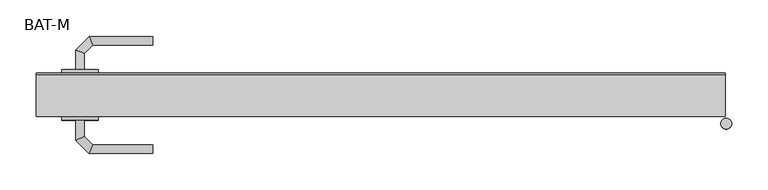
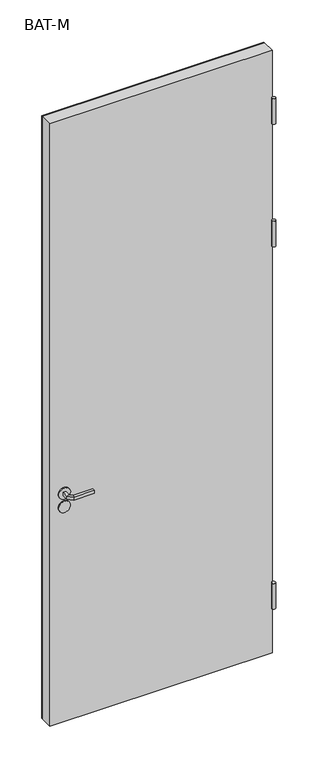
"""IFC4 building model written with IfcOpenShell, lengths in millimetres: proxy geometry, BAT-M."""

import ifcopenshell
import ifcopenshell.guid

model = None  # the IFC model being written
_history = None  # IfcOwnerHistory: only IFC2X3 demands one
_inside = {}  # id of a spatial element -> (the spatial element, [elements in it])
_under = {}  # id of a project, library or spatial element -> (it, [spatial elements below it])
_declared = {}  # id of a project -> (the project, [libraries it declares])
_typed = {}  # id of a type object -> (the type object, [elements of that type])
_made_of = {}  # id of a material, layer set ... -> (it, [elements and type objects made of it])


def new_model(schema):
    """Start an empty IFC model of exactly this schema.

    Asked for "IFC4X3", IfcOpenShell would pick the latest addendum, in which some entities
    have other attributes; the version numbers below select the first issue.
    IFC2X3 requires an IfcOwnerHistory on every rooted entity: one is made here for all.
    """
    global model, _history
    if schema == "IFC4X3":
        model = ifcopenshell.file(schema_version=(4, 3, 0, 0))
    else:
        model = ifcopenshell.file(schema=schema)
    _inside.clear()
    _under.clear()
    _declared.clear()
    _typed.clear()
    _made_of.clear()
    _history = None
    if model.schema == "IFC2X3":
        org = make("IfcOrganization", Name="unknown")
        user = make(
            "IfcPersonAndOrganization",
            ThePerson=make("IfcPerson", FamilyName="unknown"),
            TheOrganization=org,
        )
        app = make(
            "IfcApplication",
            ApplicationDeveloper=org,
            Version="unknown",
            ApplicationFullName="unknown",
            ApplicationIdentifier="unknown",
        )
        _history = make(
            "IfcOwnerHistory",
            OwningUser=user,
            OwningApplication=app,
            ChangeAction="ADDED",
            CreationDate=0,
        )
    return model


def make(cls, **values):
    """One entity of the class cls with the attributes given. An attribute that is None is left unset."""
    return model.create_entity(
        cls, **{name: value for name, value in values.items() if value is not None}
    )


def rooted(cls, **values):
    """An entity with a GlobalId (a new one), such as an element, a storey or a relation."""
    return make(cls, GlobalId=ifcopenshell.guid.new(), OwnerHistory=_history, **values)


def si_unit(unit_type, name, prefix=None):
    """IfcSIUnit, for example si_unit("LENGTHUNIT", "METRE", prefix="MILLI")."""
    return make("IfcSIUnit", UnitType=unit_type, Prefix=prefix, Name=name)


def assignment(units):
    """IfcUnitAssignment: the units of a project."""
    return None if units is None else make("IfcUnitAssignment", Units=units)


def point(xyz):
    """IfcCartesianPoint."""
    return None if xyz is None else make("IfcCartesianPoint", Coordinates=xyz)


def direction(xyz):
    """IfcDirection."""
    return None if xyz is None else make("IfcDirection", DirectionRatios=xyz)


def frame(location, z_axis=None, x_axis=None):
    """IfcAxis2Placement3D, a coordinate frame: its origin and axes. An axis left out is left unset."""
    return make(
        "IfcAxis2Placement3D",
        Location=point(location),
        Axis=direction(z_axis),
        RefDirection=direction(x_axis),
    )


def frame_2d(location, x_axis=None):
    """IfcAxis2Placement2D, a coordinate frame in the plane: its origin and x axis."""
    return make(
        "IfcAxis2Placement2D", Location=point(location), RefDirection=direction(x_axis)
    )


def origin():
    """The frame at (0, 0, 0) with its axes left unset."""
    return frame((0.0, 0.0, 0.0))


def place(relative_to, where):
    """IfcLocalPlacement: puts the frame where relative to a parent placement (None: the world)."""
    return make(
        "IfcLocalPlacement", PlacementRelTo=relative_to, RelativePlacement=where
    )


def context(
    kind, dimensions, precision=None, world=None, true_north=None, identifier=None
):
    """IfcGeometricRepresentationContext, for example the 3D "Model" context."""
    return make(
        "IfcGeometricRepresentationContext",
        ContextIdentifier=identifier,
        ContextType=kind,
        CoordinateSpaceDimension=dimensions,
        Precision=precision,
        WorldCoordinateSystem=world,
        TrueNorth=true_north,
    )


def project(units=None, contexts=None):
    """IfcProject with its units and contexts."""
    return rooted(
        "IfcProject",
        Name="project",
        RepresentationContexts=contexts,
        UnitsInContext=assignment(units),
    )


def spatial(cls, under=None, at=None, **own):
    """A site, building, storey or space (cls), placed at a placement, below another one or the project."""
    s = rooted(cls, ObjectPlacement=at, **own)
    if under is not None:
        _under.setdefault(under.id(), (under, []))[1].append(s)
    return s


def polyline(points):
    """IfcPolyline through the points."""
    return make("IfcPolyline", Points=[point(p) for p in points])


def circle_curve(where, radius):
    """IfcCircle in the frame where."""
    return make("IfcCircle", Position=where, Radius=radius)


def ellipse_curve(where, semi_axis1, semi_axis2):
    """IfcEllipse in the frame where."""
    return make(
        "IfcEllipse", Position=where, SemiAxis1=semi_axis1, SemiAxis2=semi_axis2
    )


def trimmed(basis, trim1, trim2, sense, master):
    """IfcTrimmedCurve: the piece of a basis curve between two trims."""
    return make(
        "IfcTrimmedCurve",
        BasisCurve=basis,
        Trim1=trim1,
        Trim2=trim2,
        SenseAgreement=sense,
        MasterRepresentation=master,
    )


def segment(curve, same_sense, transition):
    """IfcCompositeCurveSegment."""
    return make(
        "IfcCompositeCurveSegment",
        Transition=transition,
        SameSense=same_sense,
        ParentCurve=curve,
    )


def composite_curve(segments, self_intersect=None):
    """IfcCompositeCurve: segments joined end to end."""
    return make("IfcCompositeCurve", Segments=segments, SelfIntersect=self_intersect)


def outline(outer, holes=None, kind="AREA"):
    """IfcArbitraryClosedProfileDef: a profile drawn as a closed curve; with holes, ...WithVoids."""
    if holes is None:
        return make("IfcArbitraryClosedProfileDef", ProfileType=kind, OuterCurve=outer)
    return make(
        "IfcArbitraryProfileDefWithVoids",
        ProfileType=kind,
        OuterCurve=outer,
        InnerCurves=holes,
    )


def extrude(swept, where, along, depth):
    """IfcExtrudedAreaSolid: the profile swept, set in the frame where, extruded along a direction by depth."""
    return make(
        "IfcExtrudedAreaSolid",
        SweptArea=swept,
        Position=where,
        ExtrudedDirection=direction(along),
        Depth=depth,
    )


def shape(context_of_items, identifier, shape_type, items):
    """IfcShapeRepresentation: the items that make up one representation, for example the "Body"."""
    return make(
        "IfcShapeRepresentation",
        ContextOfItems=context_of_items,
        RepresentationIdentifier=identifier,
        RepresentationType=shape_type,
        Items=items,
    )


def source(mapping_origin, context_of_items, identifier, shape_type, items):
    """IfcRepresentationMap: a shape defined once, which mapped items show again and again."""
    return make(
        "IfcRepresentationMap",
        MappingOrigin=mapping_origin,
        MappedRepresentation=shape(context_of_items, identifier, shape_type, items),
    )


def transform(
    local_origin,
    x_axis=None,
    y_axis=None,
    z_axis=None,
    scale=None,
    scale2=None,
    scale3=None,
    uniform=True,
):
    """IfcCartesianTransformationOperator3D, or its non-uniform kind. x_axis, y_axis, z_axis: its Axis1, 2, 3."""
    if uniform:
        return make(
            "IfcCartesianTransformationOperator3D",
            Axis1=direction(x_axis),
            Axis2=direction(y_axis),
            LocalOrigin=point(local_origin),
            Scale=scale,
            Axis3=direction(z_axis),
        )
    return make(
        "IfcCartesianTransformationOperator3DnonUniform",
        Axis1=direction(x_axis),
        Axis2=direction(y_axis),
        LocalOrigin=point(local_origin),
        Scale=scale,
        Axis3=direction(z_axis),
        Scale2=scale2,
        Scale3=scale3,
    )


def mapped(mapping_source, mapping_target):
    """IfcMappedItem: shows the shape of a source again, moved by a transform."""
    return make(
        "IfcMappedItem", MappingSource=mapping_source, MappingTarget=mapping_target
    )


def made_of(thing, what):
    """Note that an element or type object is made of a material, layer set ...; save() writes the relation."""
    if what is not None:
        _made_of.setdefault(what.id(), (what, []))[1].append(thing)
    return thing


def element(
    cls,
    number,
    at=None,
    inside=None,
    cuts=None,
    type_object=None,
    material=None,
    context=None,
    identifier="Body",
    shape_type=None,
    held_by="IfcProductDefinitionShape",
    body=None,
    shapes=None,
    **own,
):
    """One element of the class cls, such as IfcWall. Its Tag is "e" and its number.

    at: its placement. inside: the storey or other place that contains it. cuts: it is an
    opening in that element (IfcRelVoidsElement). A single representation is given by context,
    identifier, shape_type and body (its items); several are given by shapes. held_by: the class
    of the entity that holds the representations. save() writes the other relations.
    """
    e = rooted(cls, Tag="e%d" % number, ObjectPlacement=at, **own)
    if body is not None:
        shapes = [shape(context, identifier, shape_type, body)]
    if shapes is not None:
        e.Representation = make(held_by, Representations=shapes)
    if inside is not None:
        _inside.setdefault(inside.id(), (inside, []))[1].append(e)
    if cuts is not None:
        rooted(
            "IfcRelVoidsElement", RelatingBuildingElement=cuts, RelatedOpeningElement=e
        )
    if type_object is not None:
        _typed.setdefault(type_object.id(), (type_object, []))[1].append(e)
    return made_of(e, material)


def aggregate(whole, parts):
    """IfcRelAggregates: a whole, such as a stair, and the parts it consists of."""
    return rooted("IfcRelAggregates", RelatingObject=whole, RelatedObjects=parts)


def save(model, path):
    """Write the relations noted so far, then the file.

    IfcRelAggregates (storeys below a building ...), IfcRelContainedInSpatialStructure (elements
    in a storey), IfcRelDefinesByType, IfcRelAssociatesMaterial and IfcRelDeclares: one each for
    every whole, place, type object, material and project.
    """
    for whole, parts in _under.values():
        aggregate(whole, parts)
    for where, things in _inside.values():
        rooted(
            "IfcRelContainedInSpatialStructure",
            RelatedElements=things,
            RelatingStructure=where,
        )
    for kind, things in _typed.values():
        rooted("IfcRelDefinesByType", RelatedObjects=things, RelatingType=kind)
    for what, things in _made_of.values():
        rooted("IfcRelAssociatesMaterial", RelatedObjects=things, RelatingMaterial=what)
    for by, libraries in _declared.values():
        rooted("IfcRelDeclares", RelatingContext=by, RelatedDefinitions=libraries)
    model.write(path)


def plane_surface(at):
    """IfcPlane: the flat surface through the origin of the frame at, square to its z axis."""
    return make("IfcPlane", Position=at)


def cylinder_surface(at, radius):
    """IfcCylindricalSurface: all points at the distance radius from the z axis of the frame at."""
    return make("IfcCylindricalSurface", Position=at, Radius=radius)


def advanced_brep(points, edges, surfaces, faces):
    """IfcAdvancedBrep: a solid bounded by faces that lie on surfaces and meet in shared edges.

    An edge is (start, end): straight between two places in points (the first is 0);
    or (start, end, curve); or (start, end, curve, False) where it runs against its curve.
    A face is (place in surfaces, loops), or (place, loops, False) where it looks against
    its surface's normal. A loop lists edges by number (the first is 1), with a minus sign
    where the edge is run from its end to its start. The first loop is the outer one.
    """
    corners = [point(p) for p in points]
    vertices = [make("IfcVertexPoint", VertexGeometry=c) for c in corners]
    made = []
    for start, end, *more in edges:
        made.append(
            make(
                "IfcEdgeCurve",
                EdgeStart=vertices[start],
                EdgeEnd=vertices[end],
                EdgeGeometry=more[0] if more else make("IfcPolyline", Points=[corners[start], corners[end]]),
                SameSense=more[1] if len(more) > 1 else True,
            )
        )
    hull = []
    for where, loops, *sense in faces:
        bounds = []
        for j, loop in enumerate(loops):
            ring = [make("IfcOrientedEdge", EdgeElement=made[abs(k) - 1], Orientation=k > 0) for k in loop]
            bounds.append(
                make(
                    "IfcFaceOuterBound" if j == 0 else "IfcFaceBound",
                    Bound=make("IfcEdgeLoop", EdgeList=ring),
                    Orientation=True,
                )
            )
        hull.append(make("IfcAdvancedFace", Bounds=bounds, FaceSurface=surfaces[where], SameSense=sense[0] if sense else True))
    return make("IfcAdvancedBrep", Outer=make("IfcClosedShell", CfsFaces=hull))


def bat_m_8216d723(model_context):
    return source(origin(), model_context, "Body", "SolidModel", [
        extrude(outline(composite_curve([segment(polyline([(1126.0, -873.5306002), (1126.0, -938.5306002), (916.0, -938.5306002), (916.0, -873.5306002)]), True, "CONTINUOUS"), segment(trimmed(circle_curve(frame_2d((956.0, -873.5306002)), 40.0), [point((916.0, -873.5306002))], [point((956.0, -833.5306002))], False, "CARTESIAN"), True, "CONTINUOUS"), segment(polyline([(956.0, -833.5306002), (1086.0, -833.5306002)]), True, "CONTINUOUS"), segment(trimmed(circle_curve(frame_2d((1086.0, -873.5306002)), 40.0), [point((1086.0, -833.5306002))], [point((1126.0, -873.5306002))], False, "CARTESIAN"), True, "CONTINUOUS")], self_intersect=False)), frame((0.0, 7.9132708, 0.0), z_axis=(0.0, 1.0, 0.0), x_axis=(0.0, 0.0, 1.0)), (0.0, 0.0, 1.0), 43.4267377),
        extrude(outline(composite_curve([segment(trimmed(circle_curve(frame_2d((1051.0, -888.7739009)), 25.0), [point((1051.0, -913.7739009))], [point((1051.0, -863.7739009))], False, "CARTESIAN"), True, "CONTINUOUS"), segment(trimmed(circle_curve(frame_2d((1051.0, -888.7739009)), 25.0), [point((1051.0, -863.7739009))], [point((1051.0, -913.7739009))], False, "CARTESIAN"), True, "CONTINUOUS")], self_intersect=False)), frame((0.0, 59.5, 0.0), z_axis=(0.0, 1.0, 0.0), x_axis=(0.0, 0.0, 1.0)), (0.0, 0.0, 1.0), 5.0),
        extrude(outline(composite_curve([segment(trimmed(circle_curve(frame_2d((991.25, -888.9257392)), 25.0), [point((991.25, -913.9257392))], [point((991.25, -863.9257392))], False, "CARTESIAN"), True, "CONTINUOUS"), segment(trimmed(circle_curve(frame_2d((991.25, -888.9257392)), 25.0), [point((991.25, -863.9257392))], [point((991.25, -913.9257392))], False, "CARTESIAN"), True, "CONTINUOUS")], self_intersect=False)), frame((0.0, 59.5, 0.0), z_axis=(0.0, 1.0, 0.0), x_axis=(0.0, 0.0, 1.0)), (0.0, 0.0, 1.0), 5.0),
        advanced_brep(
        [(-883.0, 64.5, 1044.0), (-883.0, 64.5, 1058.0), (-895.0, 64.5, 1058.0), (-895.0, 64.5, 1044.0), (-883.0, 86.9852045, 1044.0), (-883.0, 86.9852045, 1058.0), (-895.0, 91.9557673, 1058.0), (-895.0, 91.9557673, 1044.0), (-871.5147186, 98.4704859, 1044.0), (-871.5147186, 98.4704859, 1058.0), (-876.4852814, 110.4704859, 1058.0), (-876.4852814, 110.4704859, 1044.0), (-788.9542163, 98.4704859, 1044.0), (-788.9542163, 110.4704859, 1044.0), (-788.9542163, 110.4704859, 1058.0), (-788.9542163, 98.4704859, 1058.0)],
        [
            (0, 1),
            (1, 2, circle_curve(frame((-889.0, 64.5, 1037.9542278), z_axis=(0.0, -1.0, 0.0), x_axis=(-1.0, 0.0, 0.0)), 20.9244589)),
            (2, 3),
            (3, 0, circle_curve(frame((-889.0, 64.5, 1064.0457722), z_axis=(0.0, -1.0, 0.0), x_axis=(-1.0, 0.0, 0.0)), 20.9244589)),
            (0, 4),
            (4, 5),
            (5, 1),
            (5, 6, ellipse_curve(frame((-889.0, 89.4704859, 1037.9542278), z_axis=(-0.3826834323651092, -0.9238795325112789, 0.0), x_axis=(0.9238795325112791, -0.3826834323651085, 0.0)), 22.6484711, 20.9244589)),
            (6, 2),
            (6, 7),
            (7, 3),
            (7, 4, ellipse_curve(frame((-889.0, 89.4704859, 1064.0457722), z_axis=(-0.3826834323651092, -0.9238795325112789, 0.0), x_axis=(0.9238795325112791, -0.3826834323651085, 0.0)), 22.6484711, 20.9244589)),
            (4, 8),
            (8, 9),
            (9, 5),
            (9, 10, ellipse_curve(frame((-874.0, 104.4704859, 1037.9542278), z_axis=(-0.923879532511295, -0.38268343236507024, 0.0), x_axis=(0.3826834323650705, -0.9238795325112947, 0.0)), 22.6484711, 20.9244589)),
            (10, 6),
            (10, 11),
            (11, 7),
            (11, 8, ellipse_curve(frame((-874.0, 104.4704859, 1064.0457722), z_axis=(-0.923879532511295, -0.38268343236507024, 0.0), x_axis=(0.3826834323650705, -0.9238795325112947, 0.0)), 22.6484711, 20.9244589)),
            (12, 13, circle_curve(frame((-788.9542163, 104.4704859, 1064.0457722), z_axis=(1.0, 0.0, 0.0), x_axis=(0.0, 1.0, 0.0)), 20.9244589)),
            (13, 14),
            (14, 15, circle_curve(frame((-788.9542163, 104.4704859, 1037.9542278), z_axis=(1.0, 0.0, 0.0), x_axis=(0.0, 1.0, 0.0)), 20.9244589)),
            (15, 12),
            (8, 12),
            (15, 9),
            (14, 10),
            (13, 11),
        ],
        [
            plane_surface(frame((-898.2195445, 64.5, 1051.0), z_axis=(0.0, -1.0, 0.0), x_axis=(0.0, 0.0, 1.0))),
            plane_surface(frame((-883.0, 64.5, 1044.0), z_axis=(1.0, 0.0, 0.0), x_axis=(0.0, 1.0, 0.0))),
            cylinder_surface(frame((-889.0, 64.5, 1037.9542278), z_axis=(0.0, -1.0, 0.0), x_axis=(-1.0, 0.0, 0.0)), 20.9244589),
            plane_surface(frame((-895.0, 64.5, 1058.0), z_axis=(-1.0, 0.0, 0.0), x_axis=(0.0, 1.0, 0.0))),
            cylinder_surface(frame((-889.0, 64.5, 1064.0457722), z_axis=(0.0, -1.0, 0.0), x_axis=(-1.0, 0.0, 0.0)), 20.9244589),
            plane_surface(frame((-883.0, 86.9852045, 1044.0), z_axis=(0.7071067811865176, -0.7071067811865774, 0.0), x_axis=(0.7071067811865774, 0.7071067811865176, 0.0))),
            cylinder_surface(frame((-889.0, 89.4704859, 1037.9542278), z_axis=(-0.7071067811865772, -0.7071067811865178, 0.0), x_axis=(-0.7071067811865178, 0.7071067811865772, 0.0)), 20.9244589),
            plane_surface(frame((-895.0, 91.9557673, 1058.0), z_axis=(-0.7071067811865177, 0.7071067811865773, 0.0), x_axis=(0.7071067811865773, 0.7071067811865177, 0.0))),
            cylinder_surface(frame((-889.0, 89.4704859, 1064.0457722), z_axis=(-0.7071067811865772, -0.7071067811865178, 0.0), x_axis=(-0.7071067811865178, 0.7071067811865772, 0.0)), 20.9244589),
            plane_surface(frame((-788.9542163, 104.4704859, 1041.7804555), z_axis=(1.0, 0.0, 0.0), x_axis=(0.0, 1.0, 0.0))),
            plane_surface(frame((-871.5147186, 98.4704859, 1044.0), z_axis=(0.0, -1.0, 0.0), x_axis=(1.0, 0.0, 0.0))),
            cylinder_surface(frame((-874.0, 104.4704859, 1037.9542278), z_axis=(-1.0, 0.0, 0.0), x_axis=(0.0, 1.0, 0.0)), 20.9244589),
            plane_surface(frame((-876.4852814, 110.4704859, 1058.0), z_axis=(0.0, 1.0, 0.0), x_axis=(1.0, 0.0, 0.0))),
            cylinder_surface(frame((-874.0, 104.4704859, 1064.0457722), z_axis=(-1.0, 0.0, 0.0), x_axis=(0.0, 1.0, 0.0)), 20.9244589),
        ],
        [
            (0, [[1, 2, 3, 4]]),
            (1, [[-1, 5, 6, 7]]),
            (2, [[-2, -7, 8, 9]]),
            (3, [[-3, -9, 10, 11]]),
            (4, [[-4, -11, 12, -5]]),
            (5, [[-6, 13, 14, 15]]),
            (6, [[-8, -15, 16, 17]]),
            (7, [[-10, -17, 18, 19]]),
            (8, [[-12, -19, 20, -13]]),
            (9, [[21, 22, 23, 24]]),
            (10, [[-14, 25, -24, 26]]),
            (11, [[-16, -26, -23, 27]]),
            (12, [[-18, -27, -22, 28]]),
            (13, [[-20, -28, -21, -25]]),
        ],
    ),
        advanced_brep(
        [(-895.0, -5.0, 1058.0), (-883.0, -5.0, 1058.0), (-883.0, -5.0, 1044.0), (-895.0, -5.0, 1044.0), (-895.0, -32.6509507, 1058.0), (-883.0, -27.680388, 1058.0), (-883.0, -27.680388, 1044.0), (-895.0, -32.6509507, 1044.0), (-876.62279, -51.0281607, 1058.0), (-871.6522273, -39.0281607, 1058.0), (-871.6522273, -39.0281607, 1044.0), (-876.62279, -51.0281607, 1044.0), (-788.9813594, -51.0281607, 1058.0), (-788.9813594, -51.0281607, 1044.0), (-788.9813594, -39.0281607, 1044.0), (-788.9813594, -39.0281607, 1058.0)],
        [
            (0, 1, circle_curve(frame((-889.0, -5.0, 1037.9542278), z_axis=(0.0, 1.0, 0.0), x_axis=(1.0, 0.0, 0.0)), 20.9244589)),
            (1, 2),
            (2, 3, circle_curve(frame((-889.0, -5.0, 1064.0457722), z_axis=(0.0, 1.0, 0.0), x_axis=(1.0, 0.0, 0.0)), 20.9244589)),
            (3, 0),
            (0, 4),
            (4, 5, ellipse_curve(frame((-889.0, -30.1656693, 1037.9542278), z_axis=(-0.38268343236510954, 0.9238795325112785, 0.0), x_axis=(0.9238795325112784, 0.38268343236510977, 0.0)), 22.6484711, 20.9244589)),
            (5, 1),
            (5, 6),
            (6, 2),
            (6, 7, ellipse_curve(frame((-889.0, -30.1656693, 1064.0457722), z_axis=(-0.38268343236510954, 0.9238795325112785, 0.0), x_axis=(0.9238795325112784, 0.38268343236510977, 0.0)), 22.6484711, 20.9244589)),
            (7, 3),
            (7, 4),
            (4, 8),
            (8, 9, ellipse_curve(frame((-874.1375086, -45.0281607, 1037.9542278), z_axis=(-0.9238795325112947, 0.38268343236507, 0.0), x_axis=(0.38268343236506897, 0.9238795325112953, 0.0)), 22.6484711, 20.9244589)),
            (9, 5),
            (9, 10),
            (10, 6),
            (10, 11, ellipse_curve(frame((-874.1375086, -45.0281607, 1064.0457722), z_axis=(-0.9238795325112947, 0.38268343236507, 0.0), x_axis=(0.38268343236506897, 0.9238795325112953, 0.0)), 22.6484711, 20.9244589)),
            (11, 7),
            (11, 8),
            (12, 13),
            (13, 14, circle_curve(frame((-788.9813594, -45.0281607, 1064.0457722), z_axis=(1.0, 0.0, 0.0), x_axis=(0.0, 1.0, 0.0)), 20.9244589)),
            (14, 15),
            (15, 12, circle_curve(frame((-788.9813594, -45.0281607, 1037.9542278), z_axis=(1.0, 0.0, 0.0), x_axis=(0.0, 1.0, 0.0)), 20.9244589)),
            (8, 12),
            (15, 9),
            (14, 10),
            (13, 11),
        ],
        [
            plane_surface(frame((-898.2195445, -5.0, 1051.0), z_axis=(0.0, 1.0, 0.0), x_axis=(0.0, 0.0, -1.0))),
            cylinder_surface(frame((-889.0, -5.0, 1037.9542278), z_axis=(0.0, 1.0, 0.0), x_axis=(1.0, 0.0, 0.0)), 20.9244589),
            plane_surface(frame((-883.0, -5.0, 1058.0), z_axis=(1.0, 0.0, 0.0), x_axis=(0.0, -1.0, 0.0))),
            cylinder_surface(frame((-889.0, -5.0, 1064.0457722), z_axis=(0.0, 1.0, 0.0), x_axis=(1.0, 0.0, 0.0)), 20.9244589),
            plane_surface(frame((-895.0, -5.0, 1044.0), z_axis=(-1.0, 0.0, 0.0), x_axis=(0.0, -1.0, 0.0))),
            cylinder_surface(frame((-889.0, -30.1656693, 1037.9542278), z_axis=(-0.7071067811865778, 0.7071067811865174, 0.0), x_axis=(0.7071067811865174, 0.7071067811865778, 0.0)), 20.9244589),
            plane_surface(frame((-883.0, -27.680388, 1058.0), z_axis=(0.707106781186518, 0.7071067811865771, 0.0), x_axis=(0.7071067811865771, -0.707106781186518, 0.0))),
            cylinder_surface(frame((-889.0, -30.1656693, 1064.0457722), z_axis=(-0.7071067811865778, 0.7071067811865174, 0.0), x_axis=(0.7071067811865174, 0.7071067811865778, 0.0)), 20.9244589),
            plane_surface(frame((-895.0, -32.6509507, 1044.0), z_axis=(-0.7071067811865176, -0.7071067811865774, 0.0), x_axis=(0.7071067811865774, -0.7071067811865176, 0.0))),
            plane_surface(frame((-788.9813594, -45.0281607, 1041.7804555), z_axis=(1.0, 0.0, 0.0), x_axis=(0.0, 1.0, 0.0))),
            cylinder_surface(frame((-874.1375086, -45.0281607, 1037.9542278), z_axis=(-1.0, 0.0, 0.0), x_axis=(0.0, 1.0, 0.0)), 20.9244589),
            plane_surface(frame((-871.6522273, -39.0281607, 1058.0), z_axis=(0.0, 1.0, 0.0), x_axis=(1.0, 0.0, 0.0))),
            cylinder_surface(frame((-874.1375086, -45.0281607, 1064.0457722), z_axis=(-1.0, 0.0, 0.0), x_axis=(0.0, 1.0, 0.0)), 20.9244589),
            plane_surface(frame((-876.62279, -51.0281607, 1044.0), z_axis=(0.0, -1.0, 0.0), x_axis=(1.0, 0.0, 0.0))),
        ],
        [
            (0, [[1, 2, 3, 4]]),
            (1, [[-1, 5, 6, 7]]),
            (2, [[-2, -7, 8, 9]]),
            (3, [[-3, -9, 10, 11]]),
            (4, [[-4, -11, 12, -5]]),
            (5, [[-6, 13, 14, 15]]),
            (6, [[-8, -15, 16, 17]]),
            (7, [[-10, -17, 18, 19]]),
            (8, [[-12, -19, 20, -13]]),
            (9, [[21, 22, 23, 24]]),
            (10, [[-14, 25, -24, 26]]),
            (11, [[-16, -26, -23, 27]]),
            (12, [[-18, -27, -22, 28]]),
            (13, [[-20, -28, -21, -25]]),
        ],
    ),
        extrude(outline(composite_curve([segment(trimmed(circle_curve(frame_2d((1051.0, -888.7739009)), 25.0), [point((1051.0, -913.7739009))], [point((1051.0, -863.7739009))], False, "CARTESIAN"), True, "CONTINUOUS"), segment(trimmed(circle_curve(frame_2d((1051.0, -888.7739009)), 25.0), [point((1051.0, -863.7739009))], [point((1051.0, -913.7739009))], False, "CARTESIAN"), True, "CONTINUOUS")], self_intersect=False)), frame((0.0, -5.0, 0.0), z_axis=(0.0, 1.0, 0.0), x_axis=(0.0, 0.0, 1.0)), (0.0, 0.0, 1.0), 5.0),
        extrude(outline(composite_curve([segment(trimmed(circle_curve(frame_2d((991.0, -888.9257392)), 25.0), [point((991.0, -913.9257392))], [point((991.0, -863.9257392))], False, "CARTESIAN"), True, "CONTINUOUS"), segment(trimmed(circle_curve(frame_2d((991.0, -888.9257392)), 25.0), [point((991.0, -863.9257392))], [point((991.0, -913.9257392))], False, "CARTESIAN"), True, "CONTINUOUS")], self_intersect=False)), frame((0.0, -5.0, 0.0), z_axis=(0.0, 1.0, 0.0), x_axis=(0.0, 0.0, 1.0)), (0.0, 0.0, 1.0), 5.0),
        extrude(outline(polyline([(-1.0, 57.5), (-949.0, 57.5), (-949.0, 59.5), (-1.0, 59.5), (-1.0, 57.5)])), frame((0.0, 0.0, 19.0), z_axis=(0.0, 0.0, 1.0), x_axis=(1.0, 0.0, 0.0)), (0.0, 0.0, 1.0), 2717.0),
        extrude(outline(polyline([(-949.0, 57.5), (-949.0, 59.5), (-1.0, 59.5), (-1.0, 57.5), (-949.0, 57.5)])), frame((0.0, 0.0, 19.0), z_axis=(0.0, 0.0, 1.0), x_axis=(1.0, 0.0, 0.0)), (0.0, 0.0, 1.0), 2717.0),
        extrude(outline(polyline([(-949.0, 59.5), (-1.0, 59.5), (-1.0, 0.0), (-949.0, 0.0), (-949.0, 59.5)])), frame((0.0, 0.0, 19.0), z_axis=(0.0, 0.0, 1.0), x_axis=(1.0, 0.0, 0.0)), (0.0, 0.0, 1.0), 2717.0),
        extrude(outline(composite_curve([segment(trimmed(circle_curve(frame_2d((0.0, -10.0)), 7.5), [point((7.5, -10.0))], [point((-7.5, -10.0))], False, "CARTESIAN"), True, "CONTINUOUS"), segment(trimmed(circle_curve(frame_2d((0.0, -10.0)), 7.5), [point((-7.5, -10.0))], [point((7.5, -10.0))], False, "CARTESIAN"), True, "CONTINUOUS")], self_intersect=False)), frame((0.0, 0.0, 2413.5), z_axis=(0.0, 0.0, 1.0), x_axis=(1.0, 0.0, 0.0)), (0.0, 0.0, 1.0), 115.0),
        extrude(outline(composite_curve([segment(trimmed(circle_curve(frame_2d((0.0, -10.0)), 7.5), [point((7.5, -10.0))], [point((-7.5, -10.0))], False, "CARTESIAN"), True, "CONTINUOUS"), segment(trimmed(circle_curve(frame_2d((0.0, -10.0)), 7.5), [point((-7.5, -10.0))], [point((7.5, -10.0))], False, "CARTESIAN"), True, "CONTINUOUS")], self_intersect=False)), frame((0.0, 0.0, 1860.5), z_axis=(0.0, 0.0, 1.0), x_axis=(1.0, 0.0, 0.0)), (0.0, 0.0, 1.0), 115.0),
        extrude(outline(composite_curve([segment(trimmed(circle_curve(frame_2d((0.0, -10.0)), 7.5), [point((7.5, -10.0))], [point((-7.5, -10.0))], False, "CARTESIAN"), True, "CONTINUOUS"), segment(trimmed(circle_curve(frame_2d((0.0, -10.0)), 7.5), [point((-7.5, -10.0))], [point((7.5, -10.0))], False, "CARTESIAN"), True, "CONTINUOUS")], self_intersect=False)), frame((0.0, 0.0, 226.5), z_axis=(0.0, 0.0, 1.0), x_axis=(1.0, 0.0, 0.0)), (0.0, 0.0, 1.0), 115.0),
    ])


if __name__ == "__main__":
    model = new_model("IFC4")
    model_context = context("Model", 3, world=origin())
    ifc_project = project(units=[si_unit("LENGTHUNIT", "METRE", prefix="MILLI")], contexts=[model_context])
    site = spatial("IfcSite", under=ifc_project)
    building = spatial("IfcBuilding", under=site)
    placement = place(None, origin())
    bat_m_shape = bat_m_8216d723(model_context)
    element("IfcBuildingElementProxy", 1, Name="BAT-M", ObjectType="BAT-M", at=placement, inside=building, context=model_context, shape_type="MappedRepresentation", body=[
        mapped(bat_m_shape, transform((0.0, 0.0, 0.0), x_axis=(1.0, 0.0, 0.0), y_axis=(0.0, 1.0, 0.0), z_axis=(0.0, 0.0, 1.0))),
    ])
    save(model, "model.ifc")
